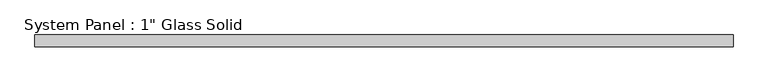
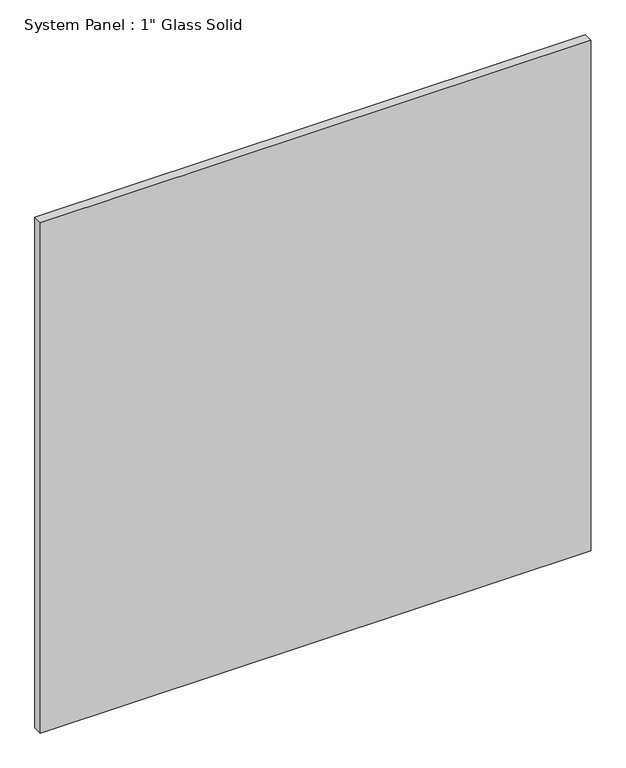
"""IFC4 building model written with IfcOpenShell, lengths in millimetres: plate geometry."""

from ifc_helpers import new_model, si_unit, origin, origin_with_axes, place, context, project, spatial, polyline, outline, extrude, source, transform, mapped, element, save


def plate_405cbeae(model_context):
    return source(origin(), model_context, "Body", "SweptSolid", [
        extrude(outline(polyline([(737.6592185, -12.7), (-737.6592185, -12.7), (-737.6592185, 12.7), (737.6592185, 12.7), (737.6592185, -12.7)])), origin_with_axes(), (0.0, 0.0, 1.0), 1446.5317704),
    ])


if __name__ == "__main__":
    model = new_model("IFC4")
    model_context = context("Model", 3, world=origin())
    ifc_project = project(units=[si_unit("LENGTHUNIT", "METRE", prefix="MILLI")], contexts=[model_context])
    site = spatial("IfcSite", under=ifc_project)
    building = spatial("IfcBuilding", under=site)
    placement = place(None, origin())
    plate_shape = plate_405cbeae(model_context)
    element("IfcPlate", 1, ObjectType="System Panel : 1\" Glass Solid", at=placement, inside=building, context=model_context, shape_type="MappedRepresentation", body=[
        mapped(plate_shape, transform((0.0, 0.0, 0.0), x_axis=(1.0, 0.0, 0.0), y_axis=(0.0, 1.0, 0.0), z_axis=(0.0, 0.0, 1.0))),
    ])
    save(model, "model.ifc")
